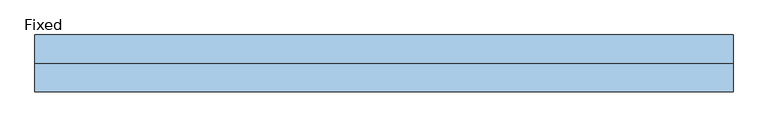
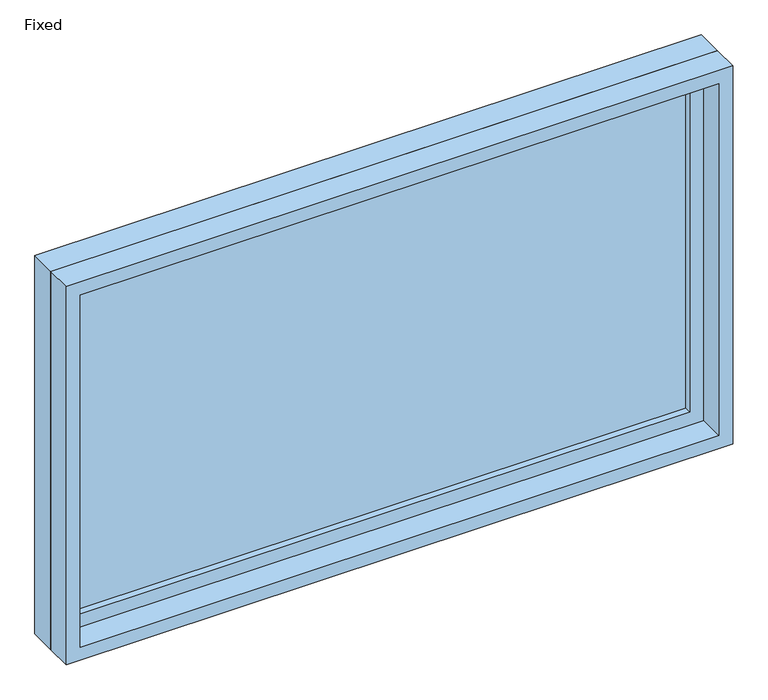
"""IFC4 building model written with IfcOpenShell, lengths in millimetres: window geometry, Fixed."""

import ifcopenshell
import ifcopenshell.guid

model = None  # the IFC model being written
_history = None  # IfcOwnerHistory: only IFC2X3 demands one
_inside = {}  # id of a spatial element -> (the spatial element, [elements in it])
_under = {}  # id of a project, library or spatial element -> (it, [spatial elements below it])
_declared = {}  # id of a project -> (the project, [libraries it declares])
_typed = {}  # id of a type object -> (the type object, [elements of that type])
_made_of = {}  # id of a material, layer set ... -> (it, [elements and type objects made of it])


def new_model(schema):
    """Start an empty IFC model of exactly this schema.

    Asked for "IFC4X3", IfcOpenShell would pick the latest addendum, in which some entities
    have other attributes; the version numbers below select the first issue.
    IFC2X3 requires an IfcOwnerHistory on every rooted entity: one is made here for all.
    """
    global model, _history
    if schema == "IFC4X3":
        model = ifcopenshell.file(schema_version=(4, 3, 0, 0))
    else:
        model = ifcopenshell.file(schema=schema)
    _inside.clear()
    _under.clear()
    _declared.clear()
    _typed.clear()
    _made_of.clear()
    _history = None
    if model.schema == "IFC2X3":
        org = make("IfcOrganization", Name="unknown")
        user = make(
            "IfcPersonAndOrganization",
            ThePerson=make("IfcPerson", FamilyName="unknown"),
            TheOrganization=org,
        )
        app = make(
            "IfcApplication",
            ApplicationDeveloper=org,
            Version="unknown",
            ApplicationFullName="unknown",
            ApplicationIdentifier="unknown",
        )
        _history = make(
            "IfcOwnerHistory",
            OwningUser=user,
            OwningApplication=app,
            ChangeAction="ADDED",
            CreationDate=0,
        )
    return model


def make(cls, **values):
    """One entity of the class cls with the attributes given. An attribute that is None is left unset."""
    return model.create_entity(
        cls, **{name: value for name, value in values.items() if value is not None}
    )


def rooted(cls, **values):
    """An entity with a GlobalId (a new one), such as an element, a storey or a relation."""
    return make(cls, GlobalId=ifcopenshell.guid.new(), OwnerHistory=_history, **values)


def si_unit(unit_type, name, prefix=None):
    """IfcSIUnit, for example si_unit("LENGTHUNIT", "METRE", prefix="MILLI")."""
    return make("IfcSIUnit", UnitType=unit_type, Prefix=prefix, Name=name)


def assignment(units):
    """IfcUnitAssignment: the units of a project."""
    return None if units is None else make("IfcUnitAssignment", Units=units)


def point(xyz):
    """IfcCartesianPoint."""
    return None if xyz is None else make("IfcCartesianPoint", Coordinates=xyz)


def direction(xyz):
    """IfcDirection."""
    return None if xyz is None else make("IfcDirection", DirectionRatios=xyz)


def frame(location, z_axis=None, x_axis=None):
    """IfcAxis2Placement3D, a coordinate frame: its origin and axes. An axis left out is left unset."""
    return make(
        "IfcAxis2Placement3D",
        Location=point(location),
        Axis=direction(z_axis),
        RefDirection=direction(x_axis),
    )


def origin():
    """The frame at (0, 0, 0) with its axes left unset."""
    return frame((0.0, 0.0, 0.0))


def place(relative_to, where):
    """IfcLocalPlacement: puts the frame where relative to a parent placement (None: the world)."""
    return make(
        "IfcLocalPlacement", PlacementRelTo=relative_to, RelativePlacement=where
    )


def context(
    kind, dimensions, precision=None, world=None, true_north=None, identifier=None
):
    """IfcGeometricRepresentationContext, for example the 3D "Model" context."""
    return make(
        "IfcGeometricRepresentationContext",
        ContextIdentifier=identifier,
        ContextType=kind,
        CoordinateSpaceDimension=dimensions,
        Precision=precision,
        WorldCoordinateSystem=world,
        TrueNorth=true_north,
    )


def project(units=None, contexts=None):
    """IfcProject with its units and contexts."""
    return rooted(
        "IfcProject",
        Name="project",
        RepresentationContexts=contexts,
        UnitsInContext=assignment(units),
    )


def spatial(cls, under=None, at=None, **own):
    """A site, building, storey or space (cls), placed at a placement, below another one or the project."""
    s = rooted(cls, ObjectPlacement=at, **own)
    if under is not None:
        _under.setdefault(under.id(), (under, []))[1].append(s)
    return s


def polyline(points):
    """IfcPolyline through the points."""
    return make("IfcPolyline", Points=[point(p) for p in points])


def outline(outer, holes=None, kind="AREA"):
    """IfcArbitraryClosedProfileDef: a profile drawn as a closed curve; with holes, ...WithVoids."""
    if holes is None:
        return make("IfcArbitraryClosedProfileDef", ProfileType=kind, OuterCurve=outer)
    return make(
        "IfcArbitraryProfileDefWithVoids",
        ProfileType=kind,
        OuterCurve=outer,
        InnerCurves=holes,
    )


def extrude(swept, where, along, depth):
    """IfcExtrudedAreaSolid: the profile swept, set in the frame where, extruded along a direction by depth."""
    return make(
        "IfcExtrudedAreaSolid",
        SweptArea=swept,
        Position=where,
        ExtrudedDirection=direction(along),
        Depth=depth,
    )


def shape(context_of_items, identifier, shape_type, items):
    """IfcShapeRepresentation: the items that make up one representation, for example the "Body"."""
    return make(
        "IfcShapeRepresentation",
        ContextOfItems=context_of_items,
        RepresentationIdentifier=identifier,
        RepresentationType=shape_type,
        Items=items,
    )


def source(mapping_origin, context_of_items, identifier, shape_type, items):
    """IfcRepresentationMap: a shape defined once, which mapped items show again and again."""
    return make(
        "IfcRepresentationMap",
        MappingOrigin=mapping_origin,
        MappedRepresentation=shape(context_of_items, identifier, shape_type, items),
    )


def transform(
    local_origin,
    x_axis=None,
    y_axis=None,
    z_axis=None,
    scale=None,
    scale2=None,
    scale3=None,
    uniform=True,
):
    """IfcCartesianTransformationOperator3D, or its non-uniform kind. x_axis, y_axis, z_axis: its Axis1, 2, 3."""
    if uniform:
        return make(
            "IfcCartesianTransformationOperator3D",
            Axis1=direction(x_axis),
            Axis2=direction(y_axis),
            LocalOrigin=point(local_origin),
            Scale=scale,
            Axis3=direction(z_axis),
        )
    return make(
        "IfcCartesianTransformationOperator3DnonUniform",
        Axis1=direction(x_axis),
        Axis2=direction(y_axis),
        LocalOrigin=point(local_origin),
        Scale=scale,
        Axis3=direction(z_axis),
        Scale2=scale2,
        Scale3=scale3,
    )


def mapped(mapping_source, mapping_target):
    """IfcMappedItem: shows the shape of a source again, moved by a transform."""
    return make(
        "IfcMappedItem", MappingSource=mapping_source, MappingTarget=mapping_target
    )


def made_of(thing, what):
    """Note that an element or type object is made of a material, layer set ...; save() writes the relation."""
    if what is not None:
        _made_of.setdefault(what.id(), (what, []))[1].append(thing)
    return thing


def element(
    cls,
    number,
    at=None,
    inside=None,
    cuts=None,
    type_object=None,
    material=None,
    context=None,
    identifier="Body",
    shape_type=None,
    held_by="IfcProductDefinitionShape",
    body=None,
    shapes=None,
    **own,
):
    """One element of the class cls, such as IfcWall. Its Tag is "e" and its number.

    at: its placement. inside: the storey or other place that contains it. cuts: it is an
    opening in that element (IfcRelVoidsElement). A single representation is given by context,
    identifier, shape_type and body (its items); several are given by shapes. held_by: the class
    of the entity that holds the representations. save() writes the other relations.
    """
    e = rooted(cls, Tag="e%d" % number, ObjectPlacement=at, **own)
    if body is not None:
        shapes = [shape(context, identifier, shape_type, body)]
    if shapes is not None:
        e.Representation = make(held_by, Representations=shapes)
    if inside is not None:
        _inside.setdefault(inside.id(), (inside, []))[1].append(e)
    if cuts is not None:
        rooted(
            "IfcRelVoidsElement", RelatingBuildingElement=cuts, RelatedOpeningElement=e
        )
    if type_object is not None:
        _typed.setdefault(type_object.id(), (type_object, []))[1].append(e)
    return made_of(e, material)


def aggregate(whole, parts):
    """IfcRelAggregates: a whole, such as a stair, and the parts it consists of."""
    return rooted("IfcRelAggregates", RelatingObject=whole, RelatedObjects=parts)


def save(model, path):
    """Write the relations noted so far, then the file.

    IfcRelAggregates (storeys below a building ...), IfcRelContainedInSpatialStructure (elements
    in a storey), IfcRelDefinesByType, IfcRelAssociatesMaterial and IfcRelDeclares: one each for
    every whole, place, type object, material and project.
    """
    for whole, parts in _under.values():
        aggregate(whole, parts)
    for where, things in _inside.values():
        rooted(
            "IfcRelContainedInSpatialStructure",
            RelatedElements=things,
            RelatingStructure=where,
        )
    for kind, things in _typed.values():
        rooted("IfcRelDefinesByType", RelatedObjects=things, RelatingType=kind)
    for what, things in _made_of.values():
        rooted("IfcRelAssociatesMaterial", RelatedObjects=things, RelatingMaterial=what)
    for by, libraries in _declared.values():
        rooted("IfcRelDeclares", RelatingContext=by, RelatedDefinitions=libraries)
    model.write(path)


def fixed_5e0f084f(model_context):
    return source(origin(), model_context, "Body", "SweptSolid", [
        extrude(outline(polyline([(660.4, 14.2875), (-736.6, 14.2875), (-736.6, 26.9875), (660.4, 26.9875), (660.4, 14.2875)])), frame((0.0, 0.0, 977.9), z_axis=(0.0, 0.0, 1.0), x_axis=(1.0, 0.0, 0.0)), (0.0, 0.0, 1.0), 787.4),
        extrude(outline(polyline([(1809.75, -781.05), (933.45, -781.05), (933.45, 704.85), (1809.75, 704.85), (1809.75, -781.05)]), holes=[polyline([(1765.3, -736.6), (1765.3, 660.4), (977.9, 660.4), (977.9, -736.6), (1765.3, -736.6)])]), frame((0.0, -1.5875, 0.0), z_axis=(0.0, 1.0, 0.0), x_axis=(0.0, 0.0, 1.0)), (0.0, 0.0, 1.0), 44.45),
        extrude(outline(polyline([(1828.8, -800.1), (914.4, -800.1), (914.4, 723.9), (1828.8, 723.9), (1828.8, -800.1)]), holes=[polyline([(1797.05, -768.35), (1797.05, 692.15), (946.15, 692.15), (946.15, -768.35), (1797.05, -768.35)])]), frame((0.0, -61.9125, 0.0), z_axis=(0.0, 1.0, 0.0), x_axis=(0.0, 0.0, 1.0)), (0.0, 0.0, 1.0), 60.325),
        extrude(outline(polyline([(1828.8, 723.9), (1828.8, -800.1), (914.4, -800.1), (914.4, 723.9), (1828.8, 723.9)]), holes=[polyline([(1809.75, 704.85), (933.45, 704.85), (933.45, -781.05), (1809.75, -781.05), (1809.75, 704.85)])]), frame((0.0, -1.5875, 0.0), z_axis=(0.0, 1.0, 0.0), x_axis=(0.0, 0.0, 1.0)), (0.0, 0.0, 1.0), 63.5),
    ])


if __name__ == "__main__":
    model = new_model("IFC4")
    model_context = context("Model", 3, world=origin())
    ifc_project = project(units=[si_unit("LENGTHUNIT", "METRE", prefix="MILLI")], contexts=[model_context])
    site = spatial("IfcSite", under=ifc_project)
    building = spatial("IfcBuilding", under=site)
    placement = place(None, origin())
    fixed_shape = fixed_5e0f084f(model_context)
    element("IfcWindow", 1, ObjectType="Fixed", at=placement, inside=building, context=model_context, shape_type="MappedRepresentation", body=[
        mapped(fixed_shape, transform((0.0, 0.0, 0.0), x_axis=(1.0, 0.0, 0.0), y_axis=(0.0, 1.0, 0.0), z_axis=(0.0, 0.0, 1.0))),
    ])
    save(model, "model.ifc")
